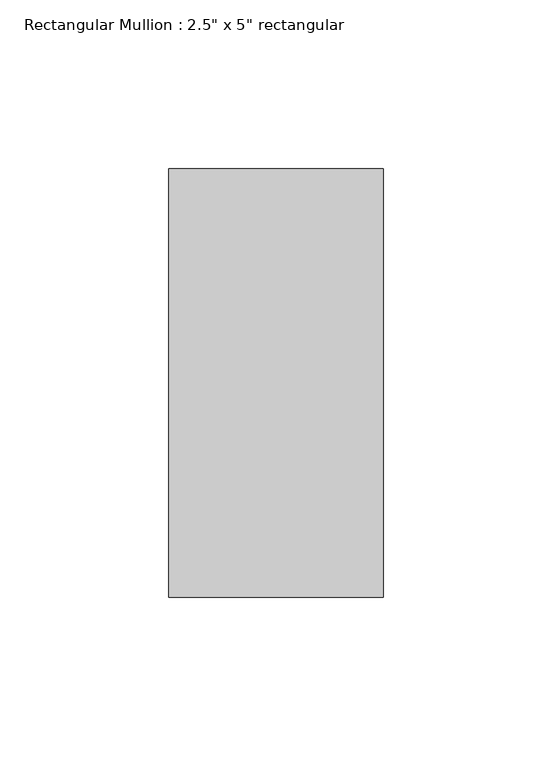
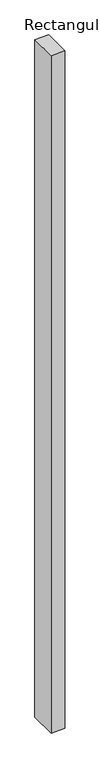
"""IFC4 building model written with IfcOpenShell, lengths in millimetres: member geometry."""

from ifc_helpers import new_model, si_unit, frame, origin, place, context, project, spatial, polyline, outline, extrude, source, transform, mapped, element, save


def member_67703a1f(model_context):
    return source(origin(), model_context, "Body", "SweptSolid", [
        extrude(outline(polyline([(31.75, 63.5), (31.75, -63.5), (-31.75, -63.5), (-31.75, 63.5), (31.75, 63.5)])), frame((0.0, 0.0, -3258.8259539), z_axis=(0.0, 0.0, 1.0), x_axis=(1.0, 0.0, 0.0)), (0.0, 0.0, 1.0), 3258.8259539),
    ])


if __name__ == "__main__":
    model = new_model("IFC4")
    model_context = context("Model", 3, world=origin())
    ifc_project = project(units=[si_unit("LENGTHUNIT", "METRE", prefix="MILLI")], contexts=[model_context])
    site = spatial("IfcSite", under=ifc_project)
    building = spatial("IfcBuilding", under=site)
    placement = place(None, origin())
    member_shape = member_67703a1f(model_context)
    element("IfcMember", 1, ObjectType="Rectangular Mullion : 2.5\" x 5\" rectangular", at=placement, inside=building, context=model_context, shape_type="MappedRepresentation", body=[
        mapped(member_shape, transform((0.0, 0.0, 0.0), x_axis=(1.0, 0.0, 0.0), y_axis=(0.0, 1.0, 0.0), z_axis=(0.0, 0.0, 1.0))),
    ])
    save(model, "model.ifc")
